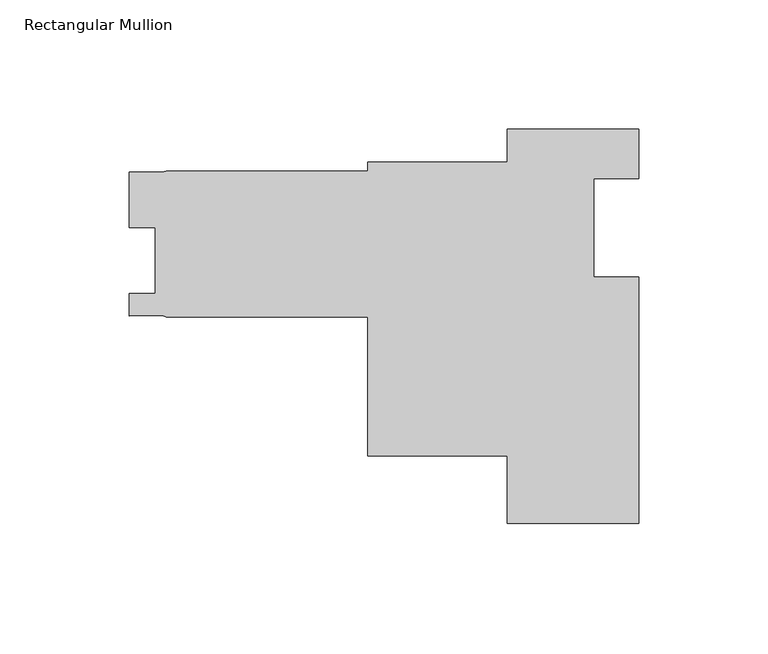
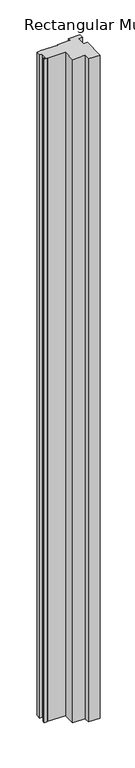
"""IFC4 building model written with IfcOpenShell, lengths in millimetres: member geometry, Rectangular Mullion."""

from ifc_helpers import new_model, si_unit, frame, origin, place, context, project, spatial, polyline, outline, extrude, source, transform, mapped, element, save


def rectangular_mullion_0190f88b(model_context):
    return source(origin(), model_context, "Body", "SweptSolid", [
        extrude(outline(polyline([(25.4, 0.0), (25.4, -19.05), (7.95, -19.05), (7.95, -57.15), (25.4, -57.15), (25.4, -152.4), (-25.4, -152.4), (-25.4, -126.3904), (-79.375, -126.3904), (-79.375, -72.6694), (-157.1879, -72.6694), (-158.6109789, -72.1514416), (-171.4754, -72.20585), (-171.4754, -63.46825), (-161.4297, -63.46825), (-161.4297, -38.06825), (-171.4626998, -38.06825), (-171.4626998, -16.6369999), (-159.0216286, -16.6369999), (-157.1879, -16.1798), (-79.375, -16.1798), (-79.375, -12.7), (-25.4, -12.7), (-25.4, 0.0), (25.4, 0.0)])), frame((0.0, 0.0, -3048.0), z_axis=(0.0, 0.0, 1.0), x_axis=(1.0, 0.0, 0.0)), (0.0, 0.0, 1.0), 3048.0),
    ])


if __name__ == "__main__":
    model = new_model("IFC4")
    model_context = context("Model", 3, world=origin())
    ifc_project = project(units=[si_unit("LENGTHUNIT", "METRE", prefix="MILLI")], contexts=[model_context])
    site = spatial("IfcSite", under=ifc_project)
    building = spatial("IfcBuilding", under=site)
    placement = place(None, origin())
    rectangular_mullion_shape = rectangular_mullion_0190f88b(model_context)
    element("IfcMember", 1, ObjectType="Rectangular Mullion", at=placement, inside=building, context=model_context, shape_type="MappedRepresentation", body=[
        mapped(rectangular_mullion_shape, transform((0.0, 0.0, 0.0), x_axis=(1.0, 0.0, 0.0), y_axis=(0.0, 1.0, 0.0), z_axis=(0.0, 0.0, 1.0))),
    ])
    save(model, "model.ifc")
